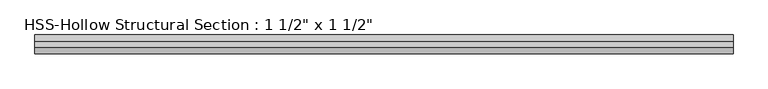
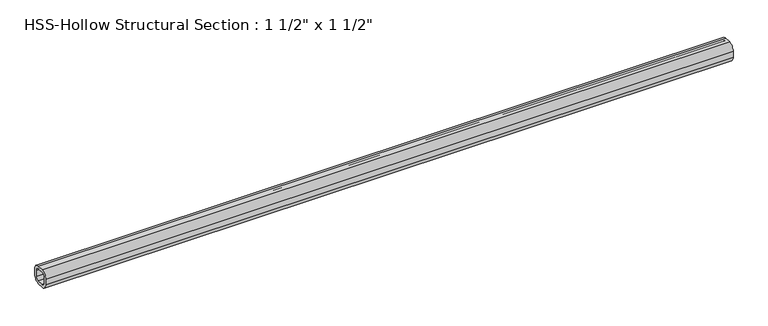
"""IFC4 building model written with IfcOpenShell, lengths in millimetres: beam geometry."""

from ifc_helpers import new_model, si_unit, point, frame, frame_2d, origin, place, context, project, spatial, polyline, circle_curve, trimmed, segment, composite_curve, outline, extrude, source, transform, mapped, element, save


def beam_f01c0d2a(model_context):
    return source(origin(), model_context, "Body", "SweptSolid", [
        extrude(outline(composite_curve([segment(polyline([(19.05, 6.35), (19.05, -6.35)]), True, "CONTINUOUS"), segment(trimmed(circle_curve(frame_2d((6.35, -6.35)), 12.7), [point((19.05, -6.35))], [point((6.35, -19.05))], False, "CARTESIAN"), True, "CONTINUOUS"), segment(polyline([(6.35, -19.05), (-6.35, -19.05)]), True, "CONTINUOUS"), segment(trimmed(circle_curve(frame_2d((-6.35, -6.35)), 12.7), [point((-6.35, -19.05))], [point((-19.05, -6.35))], False, "CARTESIAN"), True, "CONTINUOUS"), segment(polyline([(-19.05, -6.35), (-19.05, 6.35)]), True, "CONTINUOUS"), segment(trimmed(circle_curve(frame_2d((-6.35, 6.35)), 12.7), [point((-19.05, 6.35))], [point((-6.35, 19.05))], False, "CARTESIAN"), True, "CONTINUOUS"), segment(polyline([(-6.35, 19.05), (6.35, 19.05)]), True, "CONTINUOUS"), segment(trimmed(circle_curve(frame_2d((6.35, 6.35)), 12.7), [point((6.35, 19.05))], [point((19.05, 6.35))], False, "CARTESIAN"), True, "CONTINUOUS")], self_intersect=False), holes=[composite_curve([segment(trimmed(circle_curve(frame_2d((-6.35, 6.35)), 6.35), [point((-6.35, 12.7))], [point((-12.7, 6.35))], True, "CARTESIAN"), True, "CONTINUOUS"), segment(polyline([(-12.7, 6.35), (-12.7, -6.35)]), True, "CONTINUOUS"), segment(trimmed(circle_curve(frame_2d((-6.35, -6.35)), 6.35), [point((-12.7, -6.35))], [point((-6.35, -12.7))], True, "CARTESIAN"), True, "CONTINUOUS"), segment(polyline([(-6.35, -12.7), (6.35, -12.7)]), True, "CONTINUOUS"), segment(trimmed(circle_curve(frame_2d((6.35, -6.35)), 6.35), [point((6.35, -12.7))], [point((12.7, -6.35))], True, "CARTESIAN"), True, "CONTINUOUS"), segment(polyline([(12.7, -6.35), (12.7, 6.35)]), True, "CONTINUOUS"), segment(trimmed(circle_curve(frame_2d((6.35, 6.35)), 6.35), [point((12.7, 6.35))], [point((6.35, 12.7))], True, "CARTESIAN"), True, "CONTINUOUS"), segment(polyline([(6.35, 12.7), (-6.35, 12.7)]), True, "CONTINUOUS")], self_intersect=False)]), frame((-706.4375, 0.0, 0.0), z_axis=(1.0, 0.0, 0.0), x_axis=(0.0, 1.0, 0.0)), (0.0, 0.0, 1.0), 1412.875),
    ])


if __name__ == "__main__":
    model = new_model("IFC4")
    model_context = context("Model", 3, world=origin())
    ifc_project = project(units=[si_unit("LENGTHUNIT", "METRE", prefix="MILLI")], contexts=[model_context])
    site = spatial("IfcSite", under=ifc_project)
    building = spatial("IfcBuilding", under=site)
    placement = place(None, origin())
    beam_shape = beam_f01c0d2a(model_context)
    element("IfcBeam", 1, ObjectType="HSS-Hollow Structural Section : 1 1/2\" x 1 1/2\"", at=placement, inside=building, context=model_context, shape_type="MappedRepresentation", body=[
        mapped(beam_shape, transform((0.0, 0.0, 0.0), x_axis=(1.0, 0.0, 0.0), y_axis=(0.0, 1.0, 0.0), z_axis=(0.0, 0.0, 1.0))),
    ])
    save(model, "model.ifc")
